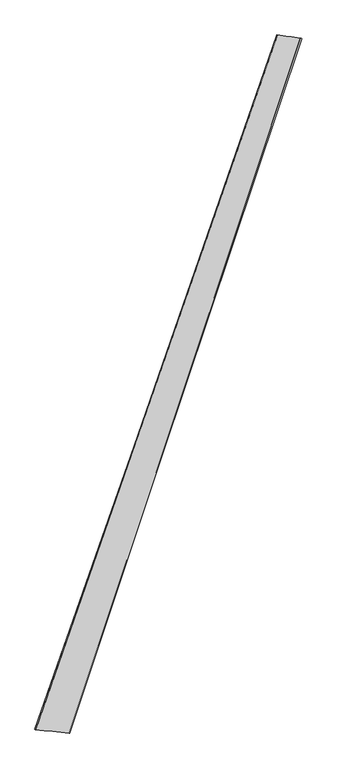
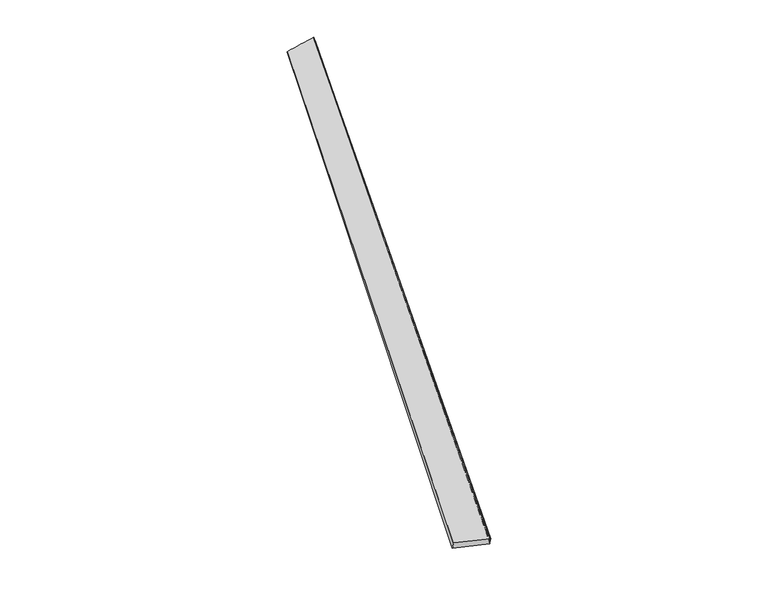
"""IFC4 building model written with IfcOpenShell, lengths in millimetres: proxy geometry."""

from ifc_helpers import new_model, si_unit, origin, place, context, project, spatial, source, transform, mapped, element, save
from ifc_brep_helpers import spline_surface, advanced_brep


def generic_models_cec7c7e8(model_context):
    return source(origin(), model_context, "Body", "AdvancedBrep", [
        advanced_brep(
        [(-688.8059022, -1744.9749522, 15.8532811), (-684.0706109, -1746.3480754, 45.445367), (668.7582887, 2146.5472483, 5.8699157), (678.000688, 2143.0190921, -22.451987), (-494.6401617, -1765.218233, 13.6858947), (801.0304996, 2128.0886307, 50.9179474), (-499.3597281, -1763.3372178, -15.8807668), (810.1649423, 2125.2930779, 22.4794728)],
        [
            (0, 1),
            (1, 2),
            (2, 3),
            (3, 0),
            (1, 4),
            (4, 5),
            (5, 2),
            (4, 6),
            (6, 7),
            (7, 5),
            (6, 0),
            (3, 7),
        ],
        [
            spline_surface(1, 1, [[(-688.8059022, -1744.9749522, 15.8532811), (678.000688, 2143.0190921, -22.451987)], [(-684.0706109, -1746.3480754, 45.445367), (668.7582887, 2146.5472483, 5.8699157)]], [2, 2], [2, 2], [0.0, 1.0], [0.0, 1.0]),
            spline_surface(1, 1, [[(-684.0706109, -1746.3480754, 45.445367), (668.7582887, 2146.5472483, 5.8699157)], [(-494.6401617, -1765.218233, 13.6858947), (801.0304996, 2128.0886307, 50.9179474)]], [2, 2], [2, 2], [0.0, 1.0], [0.0, 1.0]),
            spline_surface(1, 1, [[(-494.6401617, -1765.218233, 13.6858947), (801.0304996, 2128.0886307, 50.9179474)], [(-499.3597281, -1763.3372178, -15.8807668), (810.1649423, 2125.2930779, 22.4794728)]], [2, 2], [2, 2], [0.0, 1.0], [0.0, 1.0]),
            spline_surface(1, 1, [[(-499.3597281, -1763.3372178, -15.8807668), (810.1649423, 2125.2930779, 22.4794728)], [(-688.8059022, -1744.9749522, 15.8532811), (678.000688, 2143.0190921, -22.451987)]], [2, 2], [2, 2], [0.0, 1.0], [0.0, 1.0]),
            spline_surface(1, 1, [[(668.7582887, 2146.5472483, 5.8699157), (678.000688, 2143.0190921, -22.451987)], [(801.0304996, 2128.0886307, 50.9179474), (810.1649423, 2125.2930779, 22.4794728)]], [2, 2], [2, 2], [0.0, 1.0], [0.0, 1.0]),
            spline_surface(1, 1, [[(-499.3597281, -1763.3372178, -15.8807668), (-688.8059022, -1744.9749522, 15.8532811)], [(-494.6401617, -1765.218233, 13.6858947), (-684.0706109, -1746.3480754, 45.445367)]], [2, 2], [2, 2], [0.0, 1.0], [0.0, 1.0]),
        ],
        [
            (0, [[1, 2, 3, 4]]),
            (1, [[5, 6, 7, -2]]),
            (2, [[8, 9, 10, -6]]),
            (3, [[11, -4, 12, -9]]),
            (4, [[-3, -7, -10, -12]]),
            (5, [[-11, -8, -5, -1]]),
        ],
    ),
    ])


if __name__ == "__main__":
    model = new_model("IFC4")
    model_context = context("Model", 3, world=origin())
    ifc_project = project(units=[si_unit("LENGTHUNIT", "METRE", prefix="MILLI")], contexts=[model_context])
    site = spatial("IfcSite", under=ifc_project)
    building = spatial("IfcBuilding", under=site)
    placement = place(None, origin())
    generic_models_shape = generic_models_cec7c7e8(model_context)
    element("IfcBuildingElementProxy", 1, Name="Generic Models", at=placement, inside=building, context=model_context, shape_type="MappedRepresentation", body=[
        mapped(generic_models_shape, transform((0.0, 0.0, 0.0), x_axis=(1.0, 0.0, 0.0), y_axis=(0.0, 1.0, 0.0), z_axis=(0.0, 0.0, 1.0))),
    ])
    save(model, "model.ifc")
